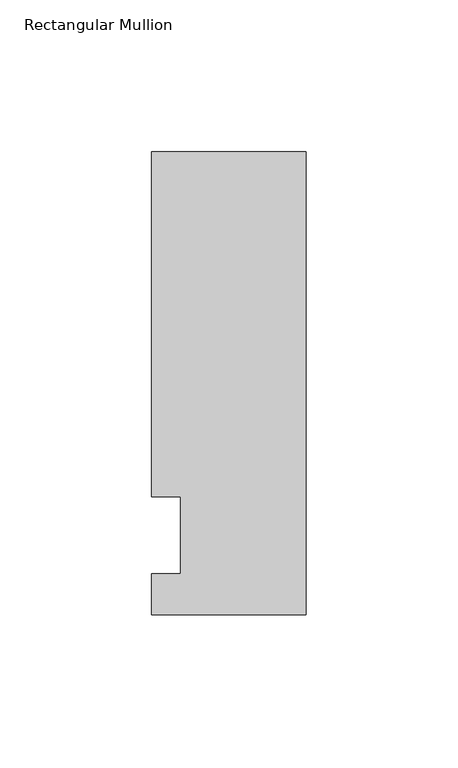
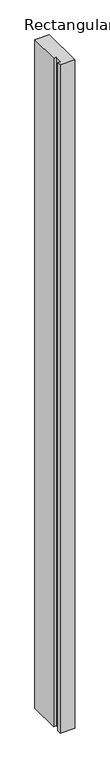
"""IFC4 building model written with IfcOpenShell, lengths in millimetres: member geometry, Rectangular Mullion."""

from ifc_helpers import new_model, si_unit, frame, origin, place, context, project, spatial, polyline, outline, extrude, source, transform, mapped, element, save


def rectangular_mullion_975327d2(model_context):
    return source(origin(), model_context, "Body", "SweptSolid", [
        extrude(outline(polyline([(-25.4, 126.20625), (25.4, 126.20625), (25.4, -26.19375), (-25.4, -26.19375), (-25.4, -12.7), (-15.875, -12.7), (-15.875, 12.7), (-25.4, 12.7), (-25.4, 126.20625)])), frame((0.0, 0.0, -2463.8), z_axis=(0.0, 0.0, 1.0), x_axis=(1.0, 0.0, 0.0)), (0.0, 0.0, 1.0), 2463.8),
    ])


if __name__ == "__main__":
    model = new_model("IFC4")
    model_context = context("Model", 3, world=origin())
    ifc_project = project(units=[si_unit("LENGTHUNIT", "METRE", prefix="MILLI")], contexts=[model_context])
    site = spatial("IfcSite", under=ifc_project)
    building = spatial("IfcBuilding", under=site)
    placement = place(None, origin())
    rectangular_mullion_shape = rectangular_mullion_975327d2(model_context)
    element("IfcMember", 1, ObjectType="Rectangular Mullion", at=placement, inside=building, context=model_context, shape_type="MappedRepresentation", body=[
        mapped(rectangular_mullion_shape, transform((0.0, 0.0, 0.0), x_axis=(1.0, 0.0, 0.0), y_axis=(0.0, 1.0, 0.0), z_axis=(0.0, 0.0, 1.0))),
    ])
    save(model, "model.ifc")
